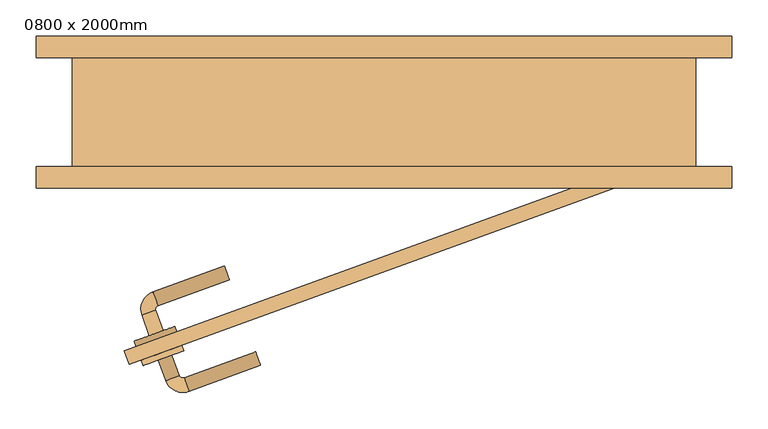
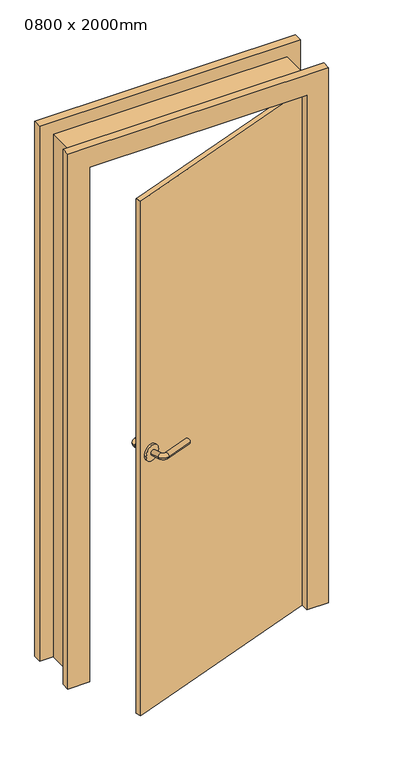
"""IFC4 building model written with IfcOpenShell, lengths in millimetres: door geometry, 0800 x 2000mm."""

from ifc_helpers import new_model, si_unit, point, frame, frame_2d, origin, place, context, project, spatial, circle_curve, ellipse_curve, trimmed, segment, composite_curve, outline, extrude, faceted_brep, source, transform, mapped, element, save
from ifc_brep_helpers import plane_surface, cylinder_surface, revolved_surface, advanced_brep


def door_0800_x_2000mm_5f9d2864(model_context):
    return source(origin(), model_context, "Body", "SolidModel", [
        advanced_brep(
        [(-323.7429558, -308.6239155, 1000.0), (-304.9491034, -301.7835127, 1000.0), (-334.0035601, -280.4331369, 1000.0), (-315.2097077, -273.5927341, 1000.0), (-312.2213453, -267.1841702, 1000.0), (-319.0617482, -248.3903178, 1000.0), (-220.394023, -212.4782028, 1000.0), (-213.5536201, -231.2720552, 1000.0)],
        [
            (0, 1, circle_curve(frame((-314.3460296, -305.2037141, 1000.0), z_axis=(0.3420201433256621, -0.9396926207859108, 0.0), x_axis=(0.9396926207859095, 0.34202014332566166, 0.0)), 10.0)),
            (1, 0, circle_curve(frame((-314.3460296, -305.2037141, 1000.0), z_axis=(0.3420201433256621, -0.9396926207859108, 0.0), x_axis=(0.9396926207859095, 0.34202014332566166, 0.0)), 10.0)),
            (0, 2),
            (2, 3, circle_curve(frame((-324.6066339, -277.0129355, 1000.0), z_axis=(0.3420201433256621, -0.9396926207859108, 0.0), x_axis=(0.9396926207859095, 0.34202014332566166, 0.0)), 10.0)),
            (3, 1),
            (3, 2, circle_curve(frame((-324.6066339, -277.0129355, 1000.0), z_axis=(0.3420201433256621, -0.9396926207859108, 0.0), x_axis=(0.9396926207859095, 0.34202014332566166, 0.0)), 10.0)),
            (4, 3, circle_curve(frame((-310.5112446, -271.8826333, 1000.0), z_axis=(0.0, 0.0, 1.0), x_axis=(-0.9396926207859095, -0.3420201433256617, 0.0)), 5.0)),
            (2, 5, circle_curve(frame((-310.5112446, -271.8826333, 1000.0), z_axis=(0.0, 0.0, -1.0), x_axis=(-0.9396926207859095, -0.3420201433256617, 0.0)), 25.0)),
            (5, 4, circle_curve(frame((-315.6415467, -257.787244, 1000.0), z_axis=(-0.9396926207859086, -0.34202014332566405, 0.0), x_axis=(0.34202014332566405, -0.9396926207859086, 0.0)), 10.0)),
            (4, 5, circle_curve(frame((-315.6415467, -257.787244, 1000.0), z_axis=(-0.9396926207859074, -0.3420201433256676, 0.0), x_axis=(0.3420201433256676, -0.9396926207859074, 0.0)), 10.0)),
            (6, 7, circle_curve(frame((-216.9738216, -221.875129, 1000.0), z_axis=(0.9396926207859108, 0.3420201433256621, 0.0), x_axis=(0.34202014332566166, -0.9396926207859095, 0.0)), 10.0)),
            (7, 6, circle_curve(frame((-216.9738216, -221.875129, 1000.0), z_axis=(0.9396926207859108, 0.3420201433256621, 0.0), x_axis=(0.34202014332566166, -0.9396926207859095, 0.0)), 10.0)),
            (5, 6),
            (7, 4),
        ],
        [
            plane_surface(frame((-314.3460296, -305.2037141, 1000.0), z_axis=(0.3420201433256621, -0.9396926207859108, 0.0), x_axis=(0.0, 0.0, 1.0))),
            cylinder_surface(frame((-314.3460296, -305.2037141, 1000.0), z_axis=(0.34202014332566166, -0.9396926207859095, 0.0), x_axis=(0.9396926207859095, 0.34202014332566166, 0.0)), 10.0),
            revolved_surface(trimmed(ellipse_curve(frame((-324.6066339, -277.0129355, 1000.0), z_axis=(0.3420201433256617, -0.9396926207859095, 0.0), x_axis=(0.9396926207859095, 0.3420201433256617, 0.0)), 10.0, 10.0), [point((-334.0035601, -280.4331369, 1000.0))], [point((-315.2097077, -273.5927341, 1000.0))], True, "CARTESIAN"), (-310.5112446, -271.8826333, 1000.0), (0.0, 0.0, -1.0)),
            revolved_surface(trimmed(ellipse_curve(frame((-324.6066339, -277.0129355, 1000.0), z_axis=(0.3420201433256617, -0.9396926207859095, 0.0), x_axis=(0.9396926207859095, 0.3420201433256617, 0.0)), 10.0, 10.0), [point((-315.2097077, -273.5927341, 1000.0))], [point((-334.0035601, -280.4331369, 1000.0))], True, "CARTESIAN"), (-310.5112446, -271.8826333, 1000.0), (0.0, 0.0, -1.0)),
            plane_surface(frame((-216.9738216, -221.875129, 1000.0), z_axis=(0.9396926207859108, 0.3420201433256621, 0.0), x_axis=(0.0, 0.0, 1.0))),
            cylinder_surface(frame((-315.6415467, -257.787244, 1000.0), z_axis=(-0.9396926207859095, -0.34202014332566166, 0.0), x_axis=(0.34202014332566166, -0.9396926207859095, 0.0)), 10.0),
        ],
        [
            (0, [[1, 2]]),
            (1, [[-1, 3, 4, 5]]),
            (1, [[-2, -5, 6, -3]]),
            (2, [[7, -4, 8, 9]]),
            (3, [[-8, -6, -7, 10]]),
            (4, [[11, 12]]),
            (5, [[-9, 13, -12, 14]]),
            (5, [[-10, -14, -11, -13]]),
        ],
    ),
        extrude(outline(composite_curve([segment(trimmed(circle_curve(frame_2d((0.0, -30.0)), 30.0), [point((0.0, -60.0))], [point((0.0, 0.0))], False, "CARTESIAN"), True, "CONTINUOUS"), segment(trimmed(circle_curve(frame_2d((0.0, -30.0)), 30.0), [point((0.0, 0.0))], [point((0.0, -60.0))], False, "CARTESIAN"), True, "CONTINUOUS")], self_intersect=False)), frame((-285.7683214, -303.3157011, 1000.0), z_axis=(-0.3420201433256621, 0.9396926207859108, 0.0), x_axis=(0.0, 0.0, 1.0)), (0.0, 0.0, 1.0), 8.0),
        advanced_brep(
        [(-311.4302307, -342.4528499, 1000.0), (-292.6363782, -335.612447, 1000.0), (-282.3757739, -363.8032257, 1000.0), (-301.1696264, -370.6436285, 1000.0), (-275.9672101, -366.791588, 1000.0), (-269.1268072, -385.5854405, 1000.0), (-170.4590821, -349.6733254, 1000.0), (-177.2994849, -330.879473, 1000.0)],
        [
            (0, 1, circle_curve(frame((-302.0333044, -339.0326485, 1000.0), z_axis=(-0.342020143325662, 0.9396926207859111, 0.0), x_axis=(0.9396926207859102, 0.3420201433256617, 0.0)), 10.0)),
            (1, 0, circle_curve(frame((-302.0333044, -339.0326485, 1000.0), z_axis=(-0.342020143325662, 0.9396926207859111, 0.0), x_axis=(0.9396926207859102, 0.3420201433256617, 0.0)), 10.0)),
            (1, 2),
            (2, 3, circle_curve(frame((-291.7727001, -367.2234271, 1000.0), z_axis=(-0.342020143325662, 0.9396926207859111, 0.0), x_axis=(0.9396926207859102, 0.3420201433256617, 0.0)), 10.0)),
            (3, 0),
            (3, 2, circle_curve(frame((-291.7727001, -367.2234271, 1000.0), z_axis=(-0.342020143325662, 0.9396926207859111, 0.0), x_axis=(0.9396926207859102, 0.3420201433256617, 0.0)), 10.0)),
            (4, 5, circle_curve(frame((-272.5470087, -376.1885142, 1000.0), z_axis=(-0.9396926207859113, -0.3420201433256585, 0.0), x_axis=(-0.3420201433256585, 0.9396926207859113, 0.0)), 10.0)),
            (5, 3, circle_curve(frame((-277.6773108, -362.0931249, 1000.0), z_axis=(0.0, 0.0, -1.0), x_axis=(-0.9396926207859102, -0.34202014332566166, 0.0)), 25.0)),
            (2, 4, circle_curve(frame((-277.6773108, -362.0931249, 1000.0), z_axis=(0.0, 0.0, 1.0), x_axis=(-0.9396926207859102, -0.34202014332566166, 0.0)), 5.0)),
            (5, 4, circle_curve(frame((-272.5470087, -376.1885142, 1000.0), z_axis=(-0.9396926207859111, -0.3420201433256591, 0.0), x_axis=(-0.3420201433256591, 0.9396926207859111, 0.0)), 10.0)),
            (6, 7, circle_curve(frame((-173.8792835, -340.2763992, 1000.0), z_axis=(0.9396926207859111, 0.342020143325662, 0.0), x_axis=(-0.3420201433256617, 0.9396926207859102, 0.0)), 10.0)),
            (7, 6, circle_curve(frame((-173.8792835, -340.2763992, 1000.0), z_axis=(0.9396926207859111, 0.342020143325662, 0.0), x_axis=(-0.3420201433256617, 0.9396926207859102, 0.0)), 10.0)),
            (4, 7),
            (6, 5),
        ],
        [
            plane_surface(frame((-302.0333044, -339.0326485, 1000.0), z_axis=(-0.342020143325662, 0.939692620785911, 0.0), x_axis=(0.0, 0.0, 1.0))),
            cylinder_surface(frame((-302.0333044, -339.0326485, 1000.0), z_axis=(-0.3420201433256617, 0.9396926207859102, 0.0), x_axis=(0.9396926207859102, 0.3420201433256617, 0.0)), 10.0),
            revolved_surface(trimmed(ellipse_curve(frame((-291.7727001, -367.2234271, 1000.0), z_axis=(0.34202014332566166, -0.9396926207859102, 0.0), x_axis=(0.9396926207859102, 0.34202014332566166, 0.0)), 10.0, 10.0), [point((-301.1696264, -370.6436285, 1000.0))], [point((-282.3757739, -363.8032257, 1000.0))], True, "CARTESIAN"), (-277.6773108, -362.0931249, 1000.0), (0.0, 0.0, -1.0)),
            revolved_surface(trimmed(ellipse_curve(frame((-291.7727001, -367.2234271, 1000.0), z_axis=(0.34202014332566166, -0.9396926207859102, 0.0), x_axis=(0.9396926207859102, 0.34202014332566166, 0.0)), 10.0, 10.0), [point((-282.3757739, -363.8032257, 1000.0))], [point((-301.1696264, -370.6436285, 1000.0))], True, "CARTESIAN"), (-277.6773108, -362.0931249, 1000.0), (0.0, 0.0, -1.0)),
            plane_surface(frame((-173.8792835, -340.2763992, 1000.0), z_axis=(0.939692620785911, 0.342020143325662, 0.0), x_axis=(0.0, 0.0, 1.0))),
            cylinder_surface(frame((-272.5470087, -376.1885142, 1000.0), z_axis=(-0.9396926207859102, -0.3420201433256617, 0.0), x_axis=(-0.3420201433256617, 0.9396926207859102, 0.0)), 10.0),
        ],
        [
            (0, [[1, 2]]),
            (1, [[3, 4, 5, -2]]),
            (1, [[-5, 6, -3, -1]]),
            (2, [[7, 8, -4, 9]]),
            (3, [[10, -9, -6, -8]]),
            (4, [[11, 12]]),
            (5, [[13, -11, 14, -7]]),
            (5, [[-14, -12, -13, -10]]),
        ],
    ),
        extrude(outline(composite_curve([segment(trimmed(circle_curve(frame_2d((0.0, 30.0)), 30.0), [point((0.0, 60.0))], [point((0.0, 0.0))], False, "CARTESIAN"), True, "CONTINUOUS"), segment(trimmed(circle_curve(frame_2d((0.0, 30.0)), 30.0), [point((0.0, 0.0))], [point((0.0, 60.0))], False, "CARTESIAN"), True, "CONTINUOUS")], self_intersect=False)), frame((-276.1917574, -329.6270945, 1000.0), z_axis=(-0.342020143325662, 0.939692620785911, 0.0), x_axis=(0.0, 0.0, -1.0)), (0.0, 0.0, 1.0), 8.0),
        faceted_brep([(-430.0, -75.0, 0.0), (-430.0, 75.0, 0.0), (-480.0, 75.0, 0.0), (-480.0, 105.0, 0.0), (-400.0, 105.0, 0.0), (-400.0, -105.0, 0.0), (-480.0, -105.0, 0.0), (-480.0, -75.0, 0.0), (-480.0, -75.0, 2080.0), (480.0, -75.0, 2080.0), (480.0, -75.0, 0.0), (430.0, -75.0, 0.0), (430.0, -75.0, 2030.0), (-430.0, -75.0, 2030.0), (-480.0, -105.0, 2080.0), (-400.0, -105.0, 2000.0), (400.0, -105.0, 2000.0), (400.0, -105.0, 0.0), (480.0, -105.0, 0.0), (480.0, -105.0, 2080.0), (-400.0, 105.0, 2000.0), (-480.0, 105.0, 2080.0), (480.0, 105.0, 2080.0), (480.0, 105.0, 0.0), (400.0, 105.0, 0.0), (400.0, 105.0, 2000.0), (-480.0, 75.0, 2080.0), (-430.0, 75.0, 2030.0), (430.0, 75.0, 2030.0), (430.0, 75.0, 0.0), (480.0, 75.0, 0.0), (480.0, 75.0, 2080.0)], [[[0, 1, 2, 3, 4, 5, 6, 7]], [[7, 8, 9, 10, 11, 12, 13, 0]], [[6, 14, 8, 7]], [[5, 15, 16, 17, 18, 19, 14, 6]], [[4, 20, 15, 5]], [[3, 21, 22, 23, 24, 25, 20, 4]], [[2, 26, 21, 3]], [[1, 27, 28, 29, 30, 31, 26, 2]], [[0, 13, 27, 1]], [[12, 11, 29, 28]], [[11, 10, 18, 17, 24, 23, 30, 29]], [[19, 18, 10, 9]], [[25, 24, 17, 16]], [[31, 30, 23, 22]], [[14, 19, 9, 8]], [[20, 25, 16, 15]], [[26, 31, 22, 21]], [[13, 12, 28, 27]]]),
        faceted_brep([(-351.7540966, -348.6161147, 0.0), (-358.5944995, -329.8222622, 0.0), (393.1595971, -56.2061476, 0.0), (400.0, -75.0, 0.0), (-351.7540966, -348.6161147, 2000.0), (400.0, -75.0, 2000.0), (393.1595971, -56.2061476, 2000.0), (-358.5944995, -329.8222622, 2000.0), (341.523912, -75.0, 2000.0)], [[[0, 1, 2, 3]], [[4, 0, 3, 5]], [[5, 3, 2, 6]], [[1, 7, 8, 6, 2]], [[7, 1, 0, 4]], [[4, 5, 6, 8, 7]]]),
    ])


if __name__ == "__main__":
    model = new_model("IFC4")
    model_context = context("Model", 3, world=origin())
    ifc_project = project(units=[si_unit("LENGTHUNIT", "METRE", prefix="MILLI")], contexts=[model_context])
    site = spatial("IfcSite", under=ifc_project)
    building = spatial("IfcBuilding", under=site)
    placement = place(None, origin())
    door_0800_x_2000mm_shape = door_0800_x_2000mm_5f9d2864(model_context)
    element("IfcDoor", 1, ObjectType="0800 x 2000mm", at=placement, inside=building, context=model_context, shape_type="MappedRepresentation", body=[
        mapped(door_0800_x_2000mm_shape, transform((0.0, 0.0, 0.0), x_axis=(1.0, 0.0, 0.0), y_axis=(0.0, 1.0, 0.0), z_axis=(0.0, 0.0, 1.0))),
    ])
    save(model, "model.ifc")
